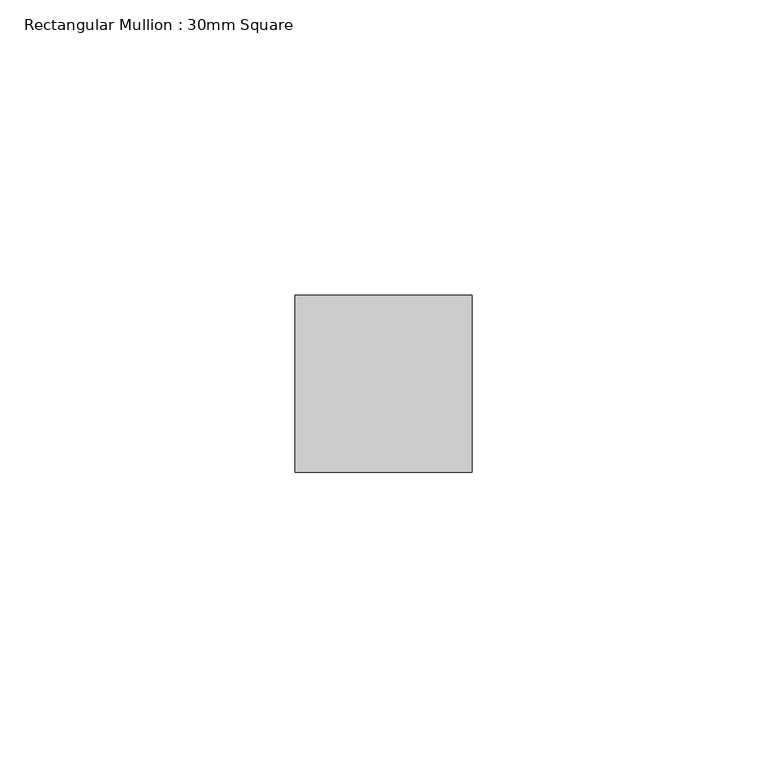
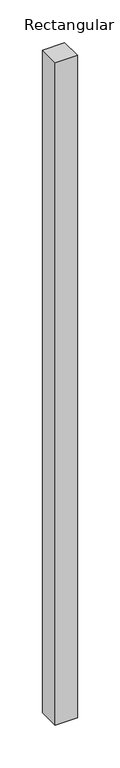
"""IFC4 building model written with IfcOpenShell, lengths in millimetres: member geometry, Rectangular Mullion : 30mm Square."""

from ifc_helpers import new_model, si_unit, frame, origin, place, context, project, spatial, polyline, outline, extrude, source, transform, mapped, element, save


def rectangular_mullion_30mm_square_6e16bc20(model_context):
    return source(origin(), model_context, "Body", "SweptSolid", [
        extrude(outline(polyline([(15.0, 15.0), (15.0, -15.0), (-15.0, -15.0), (-15.0, 15.0), (15.0, 15.0)])), frame((0.0, 0.0, -947.8236774), z_axis=(0.0, 0.0, 1.0), x_axis=(1.0, 0.0, 0.0)), (0.0, 0.0, 1.0), 947.8236774),
    ])


if __name__ == "__main__":
    model = new_model("IFC4")
    model_context = context("Model", 3, world=origin())
    ifc_project = project(units=[si_unit("LENGTHUNIT", "METRE", prefix="MILLI")], contexts=[model_context])
    site = spatial("IfcSite", under=ifc_project)
    building = spatial("IfcBuilding", under=site)
    placement = place(None, origin())
    rectangular_mullion_30mm_square_shape = rectangular_mullion_30mm_square_6e16bc20(model_context)
    element("IfcMember", 1, ObjectType="Rectangular Mullion : 30mm Square", at=placement, inside=building, context=model_context, shape_type="MappedRepresentation", body=[
        mapped(rectangular_mullion_30mm_square_shape, transform((0.0, 0.0, 0.0), x_axis=(1.0, 0.0, 0.0), y_axis=(0.0, 1.0, 0.0), z_axis=(0.0, 0.0, 1.0))),
    ])
    save(model, "model.ifc")
